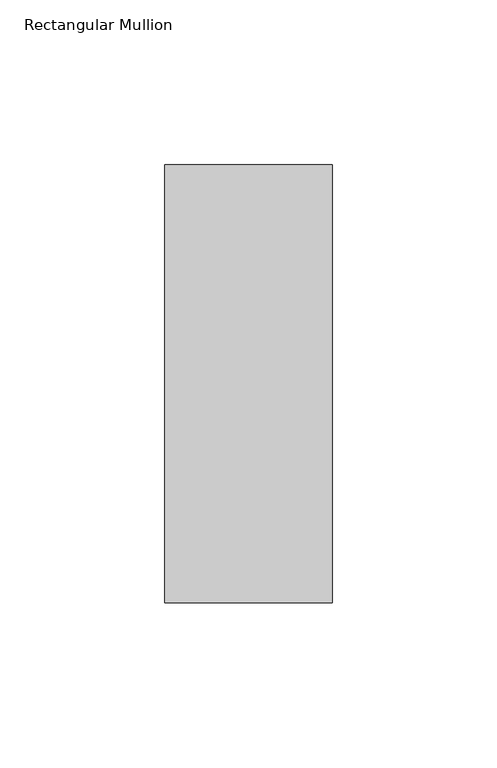
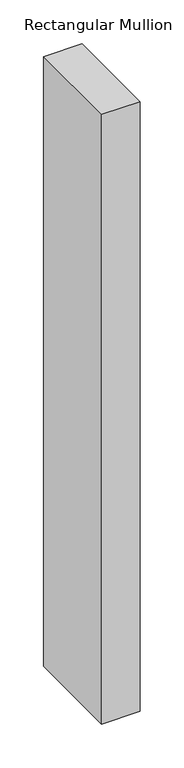
"""IFC4 building model written with IfcOpenShell, lengths in millimetres: member geometry, Rectangular Mullion."""

from ifc_helpers import new_model, si_unit, frame, origin, place, context, project, spatial, polyline, outline, extrude, source, transform, mapped, element, save


def rectangular_mullion_f4918de7(model_context):
    return source(origin(), model_context, "Body", "SweptSolid", [
        extrude(outline(polyline([(-25.4, 184.2396938), (25.4, 184.2396938), (25.4, 51.2960937), (-25.4, 51.2960937), (-25.4, 184.2396938)])), frame((0.0, 0.0, -850.9), z_axis=(0.0, 0.0, 1.0), x_axis=(1.0, 0.0, 0.0)), (0.0, 0.0, 1.0), 850.9),
    ])


if __name__ == "__main__":
    model = new_model("IFC4")
    model_context = context("Model", 3, world=origin())
    ifc_project = project(units=[si_unit("LENGTHUNIT", "METRE", prefix="MILLI")], contexts=[model_context])
    site = spatial("IfcSite", under=ifc_project)
    building = spatial("IfcBuilding", under=site)
    placement = place(None, origin())
    rectangular_mullion_shape = rectangular_mullion_f4918de7(model_context)
    element("IfcMember", 1, ObjectType="Rectangular Mullion", at=placement, inside=building, context=model_context, shape_type="MappedRepresentation", body=[
        mapped(rectangular_mullion_shape, transform((0.0, 0.0, 0.0), x_axis=(1.0, 0.0, 0.0), y_axis=(0.0, 1.0, 0.0), z_axis=(0.0, 0.0, 1.0))),
    ])
    save(model, "model.ifc")
